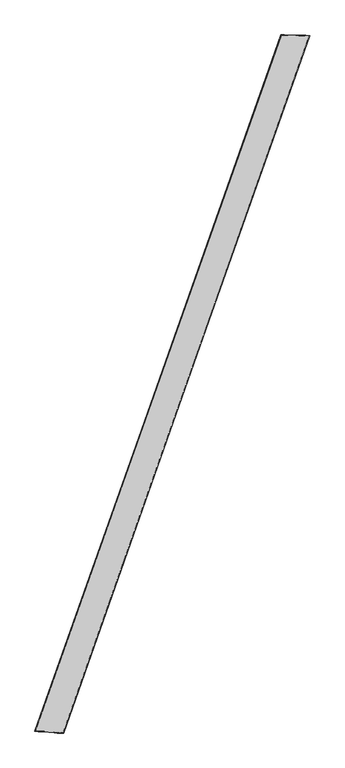
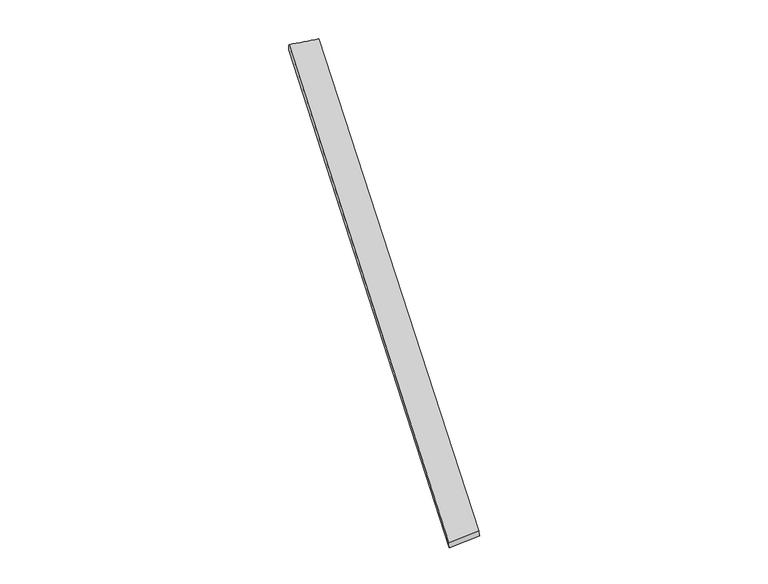
"""IFC4 building model written with IfcOpenShell, lengths in millimetres: proxy geometry."""

from ifc_helpers import new_model, si_unit, origin, place, context, project, spatial, source, transform, mapped, element, save
from ifc_brep_helpers import spline_surface, advanced_brep


def generic_models_2db4bc04(model_context):
    return source(origin(), model_context, "Body", "AdvancedBrep", [
        advanced_brep(
        [(-709.7195873, -1797.9562879, -9.4652868), (-711.3422612, -1797.528141, 20.4877367), (699.8640206, 2183.6915114, 39.7900776), (697.9046575, 2184.5293089, 9.8658568), (-550.3738052, -1805.4929366, 38.9947216), (862.7558715, 2179.0059819, 19.5956806), (-545.496412, -1807.3515433, 9.4522672), (857.3113418, 2180.7785224, -9.8528372)],
        [
            (0, 1),
            (1, 2),
            (2, 3),
            (3, 0),
            (1, 4),
            (4, 5),
            (5, 2),
            (4, 6),
            (6, 7),
            (7, 5),
            (6, 0),
            (3, 7),
        ],
        [
            spline_surface(1, 1, [[(-709.7195873, -1797.9562879, -9.4652868), (697.9046575, 2184.5293089, 9.8658568)], [(-711.3422612, -1797.528141, 20.4877367), (699.8640206, 2183.6915114, 39.7900776)]], [2, 2], [2, 2], [0.0, 1.0], [0.0, 1.0]),
            spline_surface(1, 1, [[(-711.3422612, -1797.528141, 20.4877367), (699.8640206, 2183.6915114, 39.7900776)], [(-550.3738052, -1805.4929366, 38.9947216), (862.7558715, 2179.0059819, 19.5956806)]], [2, 2], [2, 2], [0.0, 1.0], [0.0, 1.0]),
            spline_surface(1, 1, [[(-550.3738052, -1805.4929366, 38.9947216), (862.7558715, 2179.0059819, 19.5956806)], [(-545.496412, -1807.3515433, 9.4522672), (857.3113418, 2180.7785224, -9.8528372)]], [2, 2], [2, 2], [0.0, 1.0], [0.0, 1.0]),
            spline_surface(1, 1, [[(-545.496412, -1807.3515433, 9.4522672), (857.3113418, 2180.7785224, -9.8528372)], [(-709.7195873, -1797.9562879, -9.4652868), (697.9046575, 2184.5293089, 9.8658568)]], [2, 2], [2, 2], [0.0, 1.0], [0.0, 1.0]),
            spline_surface(1, 1, [[(699.8640206, 2183.6915114, 39.7900776), (697.9046575, 2184.5293089, 9.8658568)], [(862.7558715, 2179.0059819, 19.5956806), (857.3113418, 2180.7785224, -9.8528372)]], [2, 2], [2, 2], [0.0, 1.0], [0.0, 1.0]),
            spline_surface(1, 1, [[(-545.496412, -1807.3515433, 9.4522672), (-709.7195873, -1797.9562879, -9.4652868)], [(-550.3738052, -1805.4929366, 38.9947216), (-711.3422612, -1797.528141, 20.4877367)]], [2, 2], [2, 2], [0.0, 1.0], [0.0, 1.0]),
        ],
        [
            (0, [[1, 2, 3, 4]]),
            (1, [[5, 6, 7, -2]]),
            (2, [[8, 9, 10, -6]]),
            (3, [[11, -4, 12, -9]]),
            (4, [[-3, -7, -10, -12]]),
            (5, [[-11, -8, -5, -1]]),
        ],
    ),
    ])


if __name__ == "__main__":
    model = new_model("IFC4")
    model_context = context("Model", 3, world=origin())
    ifc_project = project(units=[si_unit("LENGTHUNIT", "METRE", prefix="MILLI")], contexts=[model_context])
    site = spatial("IfcSite", under=ifc_project)
    building = spatial("IfcBuilding", under=site)
    placement = place(None, origin())
    generic_models_shape = generic_models_2db4bc04(model_context)
    element("IfcBuildingElementProxy", 1, Name="Generic Models", at=placement, inside=building, context=model_context, shape_type="MappedRepresentation", body=[
        mapped(generic_models_shape, transform((0.0, 0.0, 0.0), x_axis=(1.0, 0.0, 0.0), y_axis=(0.0, 1.0, 0.0), z_axis=(0.0, 0.0, 1.0))),
    ])
    save(model, "model.ifc")
